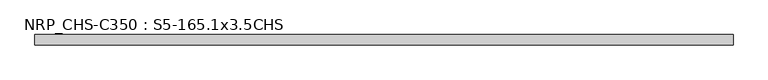
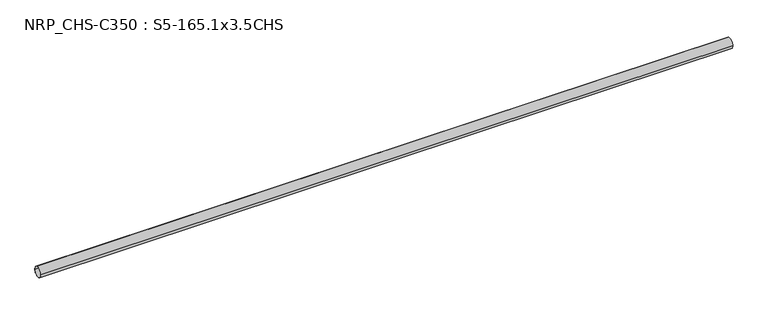
"""IFC4 building model written with IfcOpenShell, lengths in millimetres: beam geometry, NRP_CHS-C350 : S5-165.1x3.5CHS."""

from ifc_helpers import new_model, si_unit, point, frame, origin, origin_2d, place, context, project, spatial, circle_curve, trimmed, segment, composite_curve, outline, extrude, source, transform, mapped, element, save


def nrp_chs_c350_s5_165_1x3_5chs_7ec381ce(model_context):
    return source(origin(), model_context, "Body", "SweptSolid", [
        extrude(outline(composite_curve([segment(trimmed(circle_curve(origin_2d(), 82.55), [point((-82.55, 0.0))], [point((82.55, 0.0))], False, "CARTESIAN"), True, "CONTINUOUS"), segment(trimmed(circle_curve(origin_2d(), 82.55), [point((82.55, 0.0))], [point((-82.55, 0.0))], False, "CARTESIAN"), True, "CONTINUOUS")], self_intersect=False), holes=[composite_curve([segment(trimmed(circle_curve(origin_2d(), 79.05), [point((79.05, 0.0))], [point((-79.05, 0.0))], True, "CARTESIAN"), True, "CONTINUOUS"), segment(trimmed(circle_curve(origin_2d(), 79.05), [point((-79.05, 0.0))], [point((79.05, 0.0))], True, "CARTESIAN"), True, "CONTINUOUS")], self_intersect=False)]), frame((-5485.65, 0.0, 0.0), z_axis=(1.0, 0.0, 0.0), x_axis=(0.0, 1.0, 0.0)), (0.0, 0.0, 1.0), 11018.4),
    ])


if __name__ == "__main__":
    model = new_model("IFC4")
    model_context = context("Model", 3, world=origin())
    ifc_project = project(units=[si_unit("LENGTHUNIT", "METRE", prefix="MILLI")], contexts=[model_context])
    site = spatial("IfcSite", under=ifc_project)
    building = spatial("IfcBuilding", under=site)
    placement = place(None, origin())
    nrp_chs_c350_s5_165_1x3_5chs_shape = nrp_chs_c350_s5_165_1x3_5chs_7ec381ce(model_context)
    element("IfcBeam", 1, ObjectType="NRP_CHS-C350 : S5-165.1x3.5CHS", at=placement, inside=building, context=model_context, shape_type="MappedRepresentation", body=[
        mapped(nrp_chs_c350_s5_165_1x3_5chs_shape, transform((0.0, 0.0, 0.0), x_axis=(1.0, 0.0, 0.0), y_axis=(0.0, 1.0, 0.0), z_axis=(0.0, 0.0, 1.0))),
    ])
    save(model, "model.ifc")
